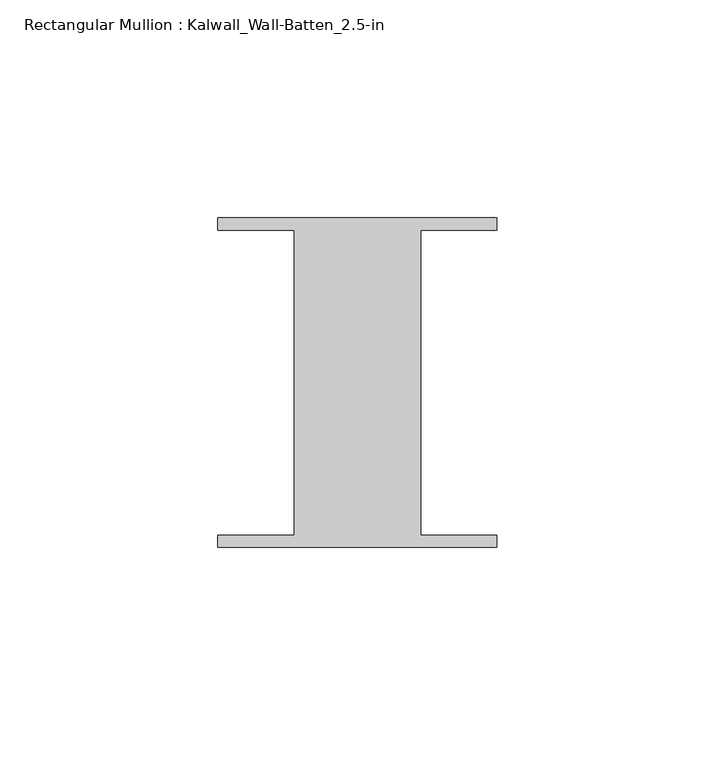
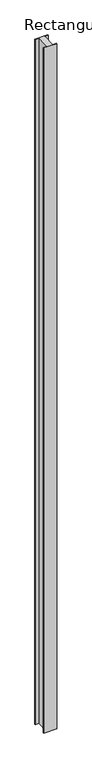
"""IFC4 building model written with IfcOpenShell, lengths in millimetres: member geometry, Rectangular Mullion : Kalwall_Wall-Batten_2.5-in."""

from ifc_helpers import new_model, si_unit, frame, origin, place, context, project, spatial, polyline, outline, extrude, source, transform, mapped, element, save


def rectangular_mullion_kalwall_wall_batten_2_5_in_e9136eb1(model_context):
    return source(origin(), model_context, "Body", "SweptSolid", [
        extrude(outline(polyline([(-32.0, 36.524), (32.0, 36.524), (32.0, 33.73), (14.5, 33.73), (14.5, -36.27), (32.0, -36.27), (32.0, -39.064), (-32.0, -39.064), (-32.0, -36.27), (-14.5, -36.27), (-14.5, 33.73), (-32.0, 33.73), (-32.0, 36.524)])), frame((0.0, 0.0, -3571.875), z_axis=(0.0, 0.0, 1.0), x_axis=(1.0, 0.0, 0.0)), (0.0, 0.0, 1.0), 3571.875),
    ])


if __name__ == "__main__":
    model = new_model("IFC4")
    model_context = context("Model", 3, world=origin())
    ifc_project = project(units=[si_unit("LENGTHUNIT", "METRE", prefix="MILLI")], contexts=[model_context])
    site = spatial("IfcSite", under=ifc_project)
    building = spatial("IfcBuilding", under=site)
    placement = place(None, origin())
    rectangular_mullion_kalwall_wall_batten_2_5_in_shape = rectangular_mullion_kalwall_wall_batten_2_5_in_e9136eb1(model_context)
    element("IfcMember", 1, ObjectType="Rectangular Mullion : Kalwall_Wall-Batten_2.5-in", at=placement, inside=building, context=model_context, shape_type="MappedRepresentation", body=[
        mapped(rectangular_mullion_kalwall_wall_batten_2_5_in_shape, transform((0.0, 0.0, 0.0), x_axis=(1.0, 0.0, 0.0), y_axis=(0.0, 1.0, 0.0), z_axis=(0.0, 0.0, 1.0))),
    ])
    save(model, "model.ifc")
